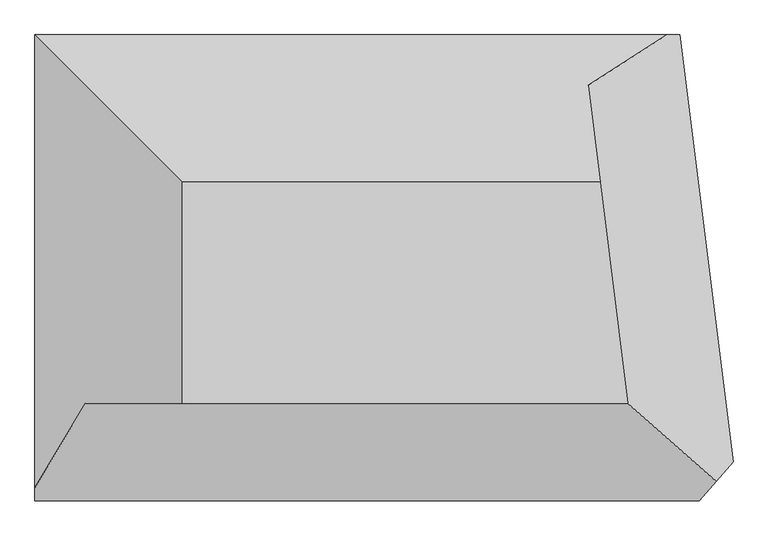
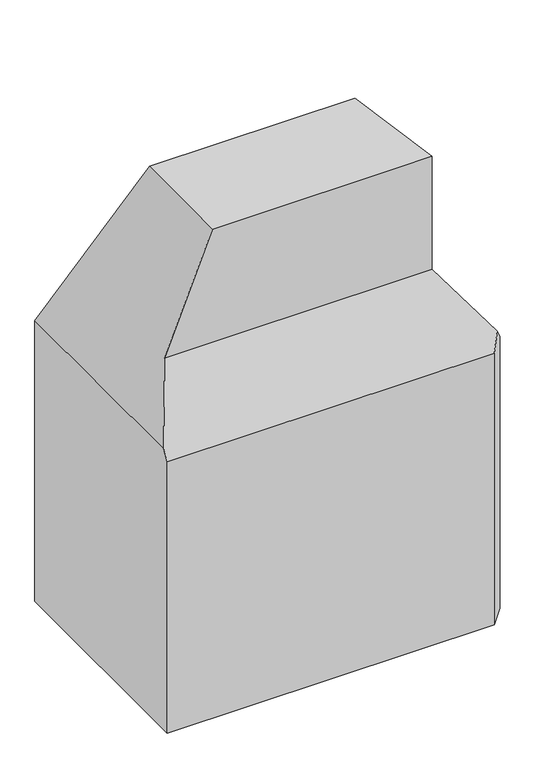
"""IFC4 building model written with IfcOpenShell, lengths in millimetres: proxy geometry."""

from ifc_helpers import new_model, si_unit, origin, place, context, project, spatial, faceted_brep, source, transform, mapped, element, save


def generic_models_d69f2043(model_context):
    return source(origin(), model_context, "Body", "Brep", [
        faceted_brep([(-22295.9784025, -1300.3135097, 50000.0), (642.8270434, -1300.3135097, 50000.0), (-783.8580386, 10099.6868987, 50000.0), (-22295.9784025, 10099.6868987, 50000.0), (-29895.9784025, -6300.3135097, 0.0), (-29895.9784025, 17699.6868987, 0.0), (3304.0214212, 17699.6868987, 0.0), (6057.2732352, -4300.3131013, 0.0), (4304.0214212, -6300.3135097, 0.0), (4304.0214212, -6300.3135097, 30000.0), (-29895.9784025, -6300.3135097, 30000.0), (6057.2732352, -4300.3131013, 30000.0), (5178.0181909, -5303.3124615, 31495.5015723), (3304.0214212, 17699.6868987, 30000.0), (-29895.9784025, 17699.6868987, 31000.0), (2632.1543794, 17699.6868987, 31000.0), (-29895.9784025, -5633.646843, 31000.0), (-1409.5970872, 15099.6868987, 37500.0), (642.8270434, -1300.3135097, 37500.0), (-27295.9784025, -1300.3135097, 37500.0)], [[[0, 1, 2, 3]], [[4, 5, 6, 7, 8]], [[4, 8, 9, 10]], [[8, 7, 11, 12, 9]], [[7, 6, 13, 11]], [[6, 5, 14, 15, 13]], [[5, 4, 10, 16, 14]], [[11, 13, 15, 17, 18, 12]], [[1, 18, 17, 2]], [[10, 9, 12, 18, 19, 16]], [[18, 1, 0, 19]], [[14, 16, 19, 0, 3]], [[3, 2, 17, 15, 14]]]),
    ])


if __name__ == "__main__":
    model = new_model("IFC4")
    model_context = context("Model", 3, world=origin())
    ifc_project = project(units=[si_unit("LENGTHUNIT", "METRE", prefix="MILLI")], contexts=[model_context])
    site = spatial("IfcSite", under=ifc_project)
    building = spatial("IfcBuilding", under=site)
    placement = place(None, origin())
    generic_models_shape = generic_models_d69f2043(model_context)
    element("IfcBuildingElementProxy", 1, Name="Generic Models", at=placement, inside=building, context=model_context, shape_type="MappedRepresentation", body=[
        mapped(generic_models_shape, transform((0.0, 0.0, 0.0), x_axis=(1.0, 0.0, 0.0), y_axis=(0.0, 1.0, 0.0), z_axis=(0.0, 0.0, 1.0))),
    ])
    save(model, "model.ifc")
